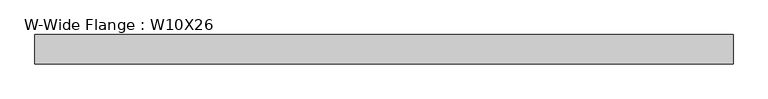
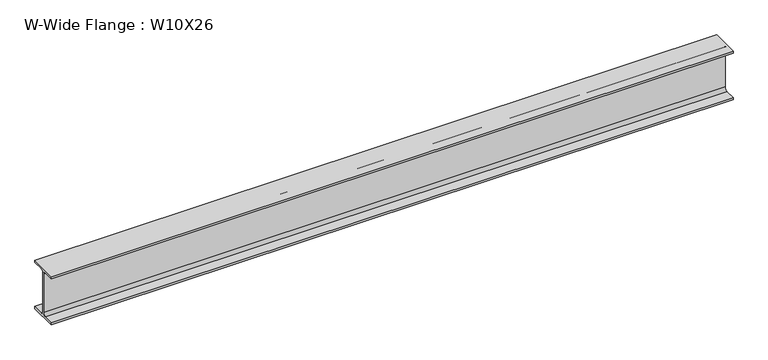
"""IFC4 building model written with IfcOpenShell, lengths in millimetres: beam geometry, W-Wide Flange : W10X26."""

import ifcopenshell
import ifcopenshell.guid

model = None  # the IFC model being written
_history = None  # IfcOwnerHistory: only IFC2X3 demands one
_inside = {}  # id of a spatial element -> (the spatial element, [elements in it])
_under = {}  # id of a project, library or spatial element -> (it, [spatial elements below it])
_declared = {}  # id of a project -> (the project, [libraries it declares])
_typed = {}  # id of a type object -> (the type object, [elements of that type])
_made_of = {}  # id of a material, layer set ... -> (it, [elements and type objects made of it])


def new_model(schema):
    """Start an empty IFC model of exactly this schema.

    Asked for "IFC4X3", IfcOpenShell would pick the latest addendum, in which some entities
    have other attributes; the version numbers below select the first issue.
    IFC2X3 requires an IfcOwnerHistory on every rooted entity: one is made here for all.
    """
    global model, _history
    if schema == "IFC4X3":
        model = ifcopenshell.file(schema_version=(4, 3, 0, 0))
    else:
        model = ifcopenshell.file(schema=schema)
    _inside.clear()
    _under.clear()
    _declared.clear()
    _typed.clear()
    _made_of.clear()
    _history = None
    if model.schema == "IFC2X3":
        org = make("IfcOrganization", Name="unknown")
        user = make(
            "IfcPersonAndOrganization",
            ThePerson=make("IfcPerson", FamilyName="unknown"),
            TheOrganization=org,
        )
        app = make(
            "IfcApplication",
            ApplicationDeveloper=org,
            Version="unknown",
            ApplicationFullName="unknown",
            ApplicationIdentifier="unknown",
        )
        _history = make(
            "IfcOwnerHistory",
            OwningUser=user,
            OwningApplication=app,
            ChangeAction="ADDED",
            CreationDate=0,
        )
    return model


def make(cls, **values):
    """One entity of the class cls with the attributes given. An attribute that is None is left unset."""
    return model.create_entity(
        cls, **{name: value for name, value in values.items() if value is not None}
    )


def rooted(cls, **values):
    """An entity with a GlobalId (a new one), such as an element, a storey or a relation."""
    return make(cls, GlobalId=ifcopenshell.guid.new(), OwnerHistory=_history, **values)


def si_unit(unit_type, name, prefix=None):
    """IfcSIUnit, for example si_unit("LENGTHUNIT", "METRE", prefix="MILLI")."""
    return make("IfcSIUnit", UnitType=unit_type, Prefix=prefix, Name=name)


def assignment(units):
    """IfcUnitAssignment: the units of a project."""
    return None if units is None else make("IfcUnitAssignment", Units=units)


def point(xyz):
    """IfcCartesianPoint."""
    return None if xyz is None else make("IfcCartesianPoint", Coordinates=xyz)


def direction(xyz):
    """IfcDirection."""
    return None if xyz is None else make("IfcDirection", DirectionRatios=xyz)


def frame(location, z_axis=None, x_axis=None):
    """IfcAxis2Placement3D, a coordinate frame: its origin and axes. An axis left out is left unset."""
    return make(
        "IfcAxis2Placement3D",
        Location=point(location),
        Axis=direction(z_axis),
        RefDirection=direction(x_axis),
    )


def frame_2d(location, x_axis=None):
    """IfcAxis2Placement2D, a coordinate frame in the plane: its origin and x axis."""
    return make(
        "IfcAxis2Placement2D", Location=point(location), RefDirection=direction(x_axis)
    )


def origin():
    """The frame at (0, 0, 0) with its axes left unset."""
    return frame((0.0, 0.0, 0.0))


def place(relative_to, where):
    """IfcLocalPlacement: puts the frame where relative to a parent placement (None: the world)."""
    return make(
        "IfcLocalPlacement", PlacementRelTo=relative_to, RelativePlacement=where
    )


def context(
    kind, dimensions, precision=None, world=None, true_north=None, identifier=None
):
    """IfcGeometricRepresentationContext, for example the 3D "Model" context."""
    return make(
        "IfcGeometricRepresentationContext",
        ContextIdentifier=identifier,
        ContextType=kind,
        CoordinateSpaceDimension=dimensions,
        Precision=precision,
        WorldCoordinateSystem=world,
        TrueNorth=true_north,
    )


def project(units=None, contexts=None):
    """IfcProject with its units and contexts."""
    return rooted(
        "IfcProject",
        Name="project",
        RepresentationContexts=contexts,
        UnitsInContext=assignment(units),
    )


def spatial(cls, under=None, at=None, **own):
    """A site, building, storey or space (cls), placed at a placement, below another one or the project."""
    s = rooted(cls, ObjectPlacement=at, **own)
    if under is not None:
        _under.setdefault(under.id(), (under, []))[1].append(s)
    return s


def polyline(points):
    """IfcPolyline through the points."""
    return make("IfcPolyline", Points=[point(p) for p in points])


def circle_curve(where, radius):
    """IfcCircle in the frame where."""
    return make("IfcCircle", Position=where, Radius=radius)


def trimmed(basis, trim1, trim2, sense, master):
    """IfcTrimmedCurve: the piece of a basis curve between two trims."""
    return make(
        "IfcTrimmedCurve",
        BasisCurve=basis,
        Trim1=trim1,
        Trim2=trim2,
        SenseAgreement=sense,
        MasterRepresentation=master,
    )


def segment(curve, same_sense, transition):
    """IfcCompositeCurveSegment."""
    return make(
        "IfcCompositeCurveSegment",
        Transition=transition,
        SameSense=same_sense,
        ParentCurve=curve,
    )


def composite_curve(segments, self_intersect=None):
    """IfcCompositeCurve: segments joined end to end."""
    return make("IfcCompositeCurve", Segments=segments, SelfIntersect=self_intersect)


def outline(outer, holes=None, kind="AREA"):
    """IfcArbitraryClosedProfileDef: a profile drawn as a closed curve; with holes, ...WithVoids."""
    if holes is None:
        return make("IfcArbitraryClosedProfileDef", ProfileType=kind, OuterCurve=outer)
    return make(
        "IfcArbitraryProfileDefWithVoids",
        ProfileType=kind,
        OuterCurve=outer,
        InnerCurves=holes,
    )


def extrude(swept, where, along, depth):
    """IfcExtrudedAreaSolid: the profile swept, set in the frame where, extruded along a direction by depth."""
    return make(
        "IfcExtrudedAreaSolid",
        SweptArea=swept,
        Position=where,
        ExtrudedDirection=direction(along),
        Depth=depth,
    )


def shape(context_of_items, identifier, shape_type, items):
    """IfcShapeRepresentation: the items that make up one representation, for example the "Body"."""
    return make(
        "IfcShapeRepresentation",
        ContextOfItems=context_of_items,
        RepresentationIdentifier=identifier,
        RepresentationType=shape_type,
        Items=items,
    )


def source(mapping_origin, context_of_items, identifier, shape_type, items):
    """IfcRepresentationMap: a shape defined once, which mapped items show again and again."""
    return make(
        "IfcRepresentationMap",
        MappingOrigin=mapping_origin,
        MappedRepresentation=shape(context_of_items, identifier, shape_type, items),
    )


def transform(
    local_origin,
    x_axis=None,
    y_axis=None,
    z_axis=None,
    scale=None,
    scale2=None,
    scale3=None,
    uniform=True,
):
    """IfcCartesianTransformationOperator3D, or its non-uniform kind. x_axis, y_axis, z_axis: its Axis1, 2, 3."""
    if uniform:
        return make(
            "IfcCartesianTransformationOperator3D",
            Axis1=direction(x_axis),
            Axis2=direction(y_axis),
            LocalOrigin=point(local_origin),
            Scale=scale,
            Axis3=direction(z_axis),
        )
    return make(
        "IfcCartesianTransformationOperator3DnonUniform",
        Axis1=direction(x_axis),
        Axis2=direction(y_axis),
        LocalOrigin=point(local_origin),
        Scale=scale,
        Axis3=direction(z_axis),
        Scale2=scale2,
        Scale3=scale3,
    )


def mapped(mapping_source, mapping_target):
    """IfcMappedItem: shows the shape of a source again, moved by a transform."""
    return make(
        "IfcMappedItem", MappingSource=mapping_source, MappingTarget=mapping_target
    )


def made_of(thing, what):
    """Note that an element or type object is made of a material, layer set ...; save() writes the relation."""
    if what is not None:
        _made_of.setdefault(what.id(), (what, []))[1].append(thing)
    return thing


def element(
    cls,
    number,
    at=None,
    inside=None,
    cuts=None,
    type_object=None,
    material=None,
    context=None,
    identifier="Body",
    shape_type=None,
    held_by="IfcProductDefinitionShape",
    body=None,
    shapes=None,
    **own,
):
    """One element of the class cls, such as IfcWall. Its Tag is "e" and its number.

    at: its placement. inside: the storey or other place that contains it. cuts: it is an
    opening in that element (IfcRelVoidsElement). A single representation is given by context,
    identifier, shape_type and body (its items); several are given by shapes. held_by: the class
    of the entity that holds the representations. save() writes the other relations.
    """
    e = rooted(cls, Tag="e%d" % number, ObjectPlacement=at, **own)
    if body is not None:
        shapes = [shape(context, identifier, shape_type, body)]
    if shapes is not None:
        e.Representation = make(held_by, Representations=shapes)
    if inside is not None:
        _inside.setdefault(inside.id(), (inside, []))[1].append(e)
    if cuts is not None:
        rooted(
            "IfcRelVoidsElement", RelatingBuildingElement=cuts, RelatedOpeningElement=e
        )
    if type_object is not None:
        _typed.setdefault(type_object.id(), (type_object, []))[1].append(e)
    return made_of(e, material)


def aggregate(whole, parts):
    """IfcRelAggregates: a whole, such as a stair, and the parts it consists of."""
    return rooted("IfcRelAggregates", RelatingObject=whole, RelatedObjects=parts)


def save(model, path):
    """Write the relations noted so far, then the file.

    IfcRelAggregates (storeys below a building ...), IfcRelContainedInSpatialStructure (elements
    in a storey), IfcRelDefinesByType, IfcRelAssociatesMaterial and IfcRelDeclares: one each for
    every whole, place, type object, material and project.
    """
    for whole, parts in _under.values():
        aggregate(whole, parts)
    for where, things in _inside.values():
        rooted(
            "IfcRelContainedInSpatialStructure",
            RelatedElements=things,
            RelatingStructure=where,
        )
    for kind, things in _typed.values():
        rooted("IfcRelDefinesByType", RelatedObjects=things, RelatingType=kind)
    for what, things in _made_of.values():
        rooted("IfcRelAssociatesMaterial", RelatedObjects=things, RelatingMaterial=what)
    for by, libraries in _declared.values():
        rooted("IfcRelDeclares", RelatingContext=by, RelatedDefinitions=libraries)
    model.write(path)


def w_wide_flange_w10x26_3b3aa33a(model_context):
    return source(origin(), model_context, "Body", "SweptSolid", [
        extrude(outline(composite_curve([segment(polyline([(73.279, -119.634), (73.279, -130.81), (-73.279, -130.81), (-73.279, -119.634), (-19.1135, -119.634)]), True, "CONTINUOUS"), segment(trimmed(circle_curve(frame_2d((-19.1135, -103.8225)), 15.8115), [point((-19.1135, -119.634))], [point((-3.302, -103.8225))], True, "CARTESIAN"), True, "CONTINUOUS"), segment(polyline([(-3.302, -103.8225), (-3.302, 103.8225)]), True, "CONTINUOUS"), segment(trimmed(circle_curve(frame_2d((-19.1135, 103.8225)), 15.8115), [point((-3.302, 103.8225))], [point((-19.1135, 119.634))], True, "CARTESIAN"), True, "CONTINUOUS"), segment(polyline([(-19.1135, 119.634), (-73.279, 119.634), (-73.279, 130.81), (73.279, 130.81), (73.279, 119.634), (19.1135, 119.634)]), True, "CONTINUOUS"), segment(trimmed(circle_curve(frame_2d((19.1135, 103.8225)), 15.8115), [point((19.1135, 119.634))], [point((3.302, 103.8225))], True, "CARTESIAN"), True, "CONTINUOUS"), segment(polyline([(3.302, 103.8225), (3.302, -103.8225)]), True, "CONTINUOUS"), segment(trimmed(circle_curve(frame_2d((19.1135, -103.8225)), 15.8115), [point((3.302, -103.8225))], [point((19.1135, -119.634))], True, "CARTESIAN"), True, "CONTINUOUS"), segment(polyline([(19.1135, -119.634), (73.279, -119.634)]), True, "CONTINUOUS")], self_intersect=False)), frame((-1847.85, 0.0, 0.0), z_axis=(1.0, 0.0, 0.0), x_axis=(0.0, 1.0, 0.0)), (0.0, 0.0, 1.0), 3485.0),
    ])


if __name__ == "__main__":
    model = new_model("IFC4")
    model_context = context("Model", 3, world=origin())
    ifc_project = project(units=[si_unit("LENGTHUNIT", "METRE", prefix="MILLI")], contexts=[model_context])
    site = spatial("IfcSite", under=ifc_project)
    building = spatial("IfcBuilding", under=site)
    placement = place(None, origin())
    w_wide_flange_w10x26_shape = w_wide_flange_w10x26_3b3aa33a(model_context)
    element("IfcBeam", 1, ObjectType="W-Wide Flange : W10X26", at=placement, inside=building, context=model_context, shape_type="MappedRepresentation", body=[
        mapped(w_wide_flange_w10x26_shape, transform((0.0, 0.0, 0.0), x_axis=(1.0, 0.0, 0.0), y_axis=(0.0, 1.0, 0.0), z_axis=(0.0, 0.0, 1.0))),
    ])
    save(model, "model.ifc")
